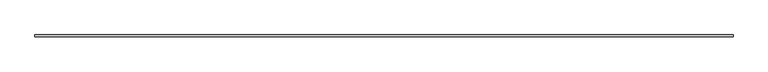
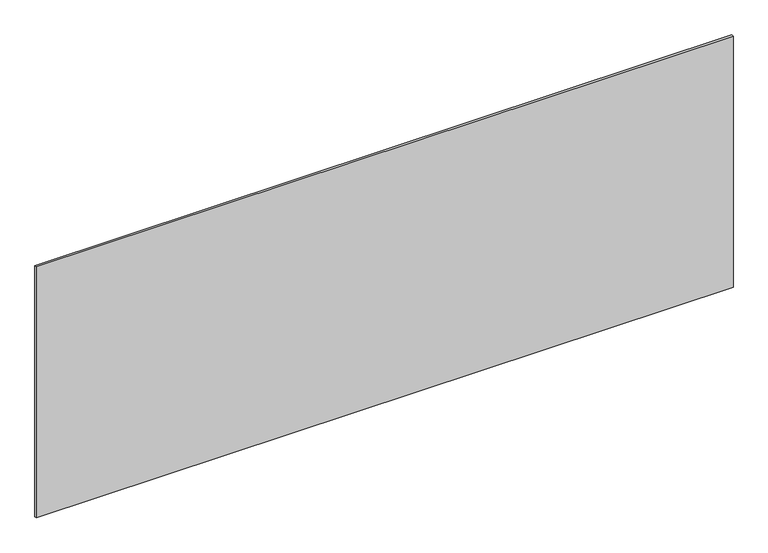
"""IFC4 building model written with IfcOpenShell, lengths in millimetres: plate geometry."""

from ifc_helpers import new_model, si_unit, origin, origin_with_axes, place, context, project, spatial, polyline, outline, extrude, source, transform, mapped, element, save


def plate_09a63815(model_context):
    return source(origin(), model_context, "Body", "SweptSolid", [
        extrude(outline(polyline([(1697.5, -5.0), (-1697.5, -5.0), (-1697.5, 5.0), (1697.5, 5.0), (1697.5, -5.0)])), origin_with_axes(), (0.0, 0.0, 1.0), 1292.4387729),
    ])


if __name__ == "__main__":
    model = new_model("IFC4")
    model_context = context("Model", 3, world=origin())
    ifc_project = project(units=[si_unit("LENGTHUNIT", "METRE", prefix="MILLI")], contexts=[model_context])
    site = spatial("IfcSite", under=ifc_project)
    building = spatial("IfcBuilding", under=site)
    placement = place(None, origin())
    plate_shape = plate_09a63815(model_context)
    element("IfcPlate", 1, at=placement, inside=building, context=model_context, shape_type="MappedRepresentation", body=[
        mapped(plate_shape, transform((0.0, 0.0, 0.0), x_axis=(1.0, 0.0, 0.0), y_axis=(0.0, 1.0, 0.0), z_axis=(0.0, 0.0, 1.0))),
    ])
    save(model, "model.ifc")
